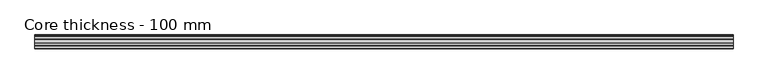
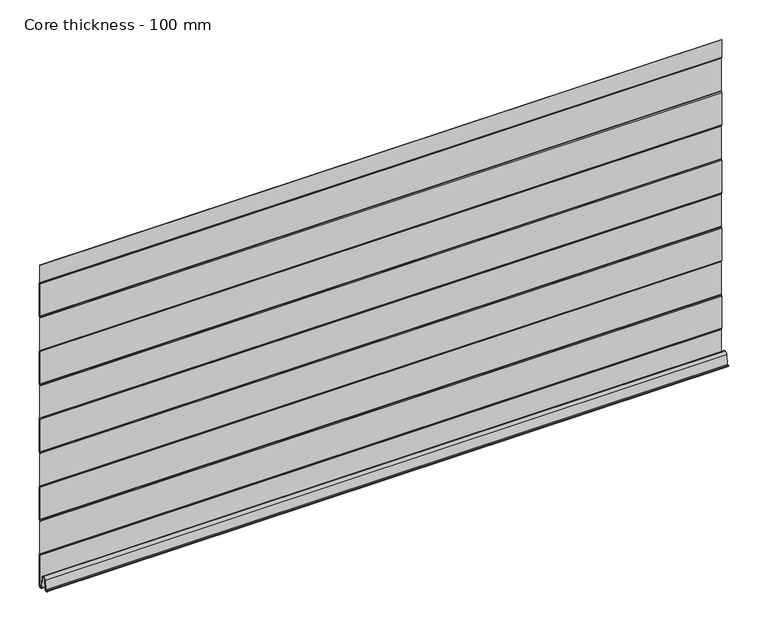
"""IFC4 building model written with IfcOpenShell, lengths in millimetres: plate geometry, Core thickness - 100 mm."""

import ifcopenshell
import ifcopenshell.guid

model = None  # the IFC model being written
_history = None  # IfcOwnerHistory: only IFC2X3 demands one
_inside = {}  # id of a spatial element -> (the spatial element, [elements in it])
_under = {}  # id of a project, library or spatial element -> (it, [spatial elements below it])
_declared = {}  # id of a project -> (the project, [libraries it declares])
_typed = {}  # id of a type object -> (the type object, [elements of that type])
_made_of = {}  # id of a material, layer set ... -> (it, [elements and type objects made of it])


def new_model(schema):
    """Start an empty IFC model of exactly this schema.

    Asked for "IFC4X3", IfcOpenShell would pick the latest addendum, in which some entities
    have other attributes; the version numbers below select the first issue.
    IFC2X3 requires an IfcOwnerHistory on every rooted entity: one is made here for all.
    """
    global model, _history
    if schema == "IFC4X3":
        model = ifcopenshell.file(schema_version=(4, 3, 0, 0))
    else:
        model = ifcopenshell.file(schema=schema)
    _inside.clear()
    _under.clear()
    _declared.clear()
    _typed.clear()
    _made_of.clear()
    _history = None
    if model.schema == "IFC2X3":
        org = make("IfcOrganization", Name="unknown")
        user = make(
            "IfcPersonAndOrganization",
            ThePerson=make("IfcPerson", FamilyName="unknown"),
            TheOrganization=org,
        )
        app = make(
            "IfcApplication",
            ApplicationDeveloper=org,
            Version="unknown",
            ApplicationFullName="unknown",
            ApplicationIdentifier="unknown",
        )
        _history = make(
            "IfcOwnerHistory",
            OwningUser=user,
            OwningApplication=app,
            ChangeAction="ADDED",
            CreationDate=0,
        )
    return model


def make(cls, **values):
    """One entity of the class cls with the attributes given. An attribute that is None is left unset."""
    return model.create_entity(
        cls, **{name: value for name, value in values.items() if value is not None}
    )


def rooted(cls, **values):
    """An entity with a GlobalId (a new one), such as an element, a storey or a relation."""
    return make(cls, GlobalId=ifcopenshell.guid.new(), OwnerHistory=_history, **values)


def si_unit(unit_type, name, prefix=None):
    """IfcSIUnit, for example si_unit("LENGTHUNIT", "METRE", prefix="MILLI")."""
    return make("IfcSIUnit", UnitType=unit_type, Prefix=prefix, Name=name)


def assignment(units):
    """IfcUnitAssignment: the units of a project."""
    return None if units is None else make("IfcUnitAssignment", Units=units)


def point(xyz):
    """IfcCartesianPoint."""
    return None if xyz is None else make("IfcCartesianPoint", Coordinates=xyz)


def direction(xyz):
    """IfcDirection."""
    return None if xyz is None else make("IfcDirection", DirectionRatios=xyz)


def frame(location, z_axis=None, x_axis=None):
    """IfcAxis2Placement3D, a coordinate frame: its origin and axes. An axis left out is left unset."""
    return make(
        "IfcAxis2Placement3D",
        Location=point(location),
        Axis=direction(z_axis),
        RefDirection=direction(x_axis),
    )


def origin():
    """The frame at (0, 0, 0) with its axes left unset."""
    return frame((0.0, 0.0, 0.0))


def place(relative_to, where):
    """IfcLocalPlacement: puts the frame where relative to a parent placement (None: the world)."""
    return make(
        "IfcLocalPlacement", PlacementRelTo=relative_to, RelativePlacement=where
    )


def context(
    kind, dimensions, precision=None, world=None, true_north=None, identifier=None
):
    """IfcGeometricRepresentationContext, for example the 3D "Model" context."""
    return make(
        "IfcGeometricRepresentationContext",
        ContextIdentifier=identifier,
        ContextType=kind,
        CoordinateSpaceDimension=dimensions,
        Precision=precision,
        WorldCoordinateSystem=world,
        TrueNorth=true_north,
    )


def project(units=None, contexts=None):
    """IfcProject with its units and contexts."""
    return rooted(
        "IfcProject",
        Name="project",
        RepresentationContexts=contexts,
        UnitsInContext=assignment(units),
    )


def spatial(cls, under=None, at=None, **own):
    """A site, building, storey or space (cls), placed at a placement, below another one or the project."""
    s = rooted(cls, ObjectPlacement=at, **own)
    if under is not None:
        _under.setdefault(under.id(), (under, []))[1].append(s)
    return s


def polyline(points):
    """IfcPolyline through the points."""
    return make("IfcPolyline", Points=[point(p) for p in points])


def circle_curve(where, radius):
    """IfcCircle in the frame where."""
    return make("IfcCircle", Position=where, Radius=radius)


def shape(context_of_items, identifier, shape_type, items):
    """IfcShapeRepresentation: the items that make up one representation, for example the "Body"."""
    return make(
        "IfcShapeRepresentation",
        ContextOfItems=context_of_items,
        RepresentationIdentifier=identifier,
        RepresentationType=shape_type,
        Items=items,
    )


def source(mapping_origin, context_of_items, identifier, shape_type, items):
    """IfcRepresentationMap: a shape defined once, which mapped items show again and again."""
    return make(
        "IfcRepresentationMap",
        MappingOrigin=mapping_origin,
        MappedRepresentation=shape(context_of_items, identifier, shape_type, items),
    )


def transform(
    local_origin,
    x_axis=None,
    y_axis=None,
    z_axis=None,
    scale=None,
    scale2=None,
    scale3=None,
    uniform=True,
):
    """IfcCartesianTransformationOperator3D, or its non-uniform kind. x_axis, y_axis, z_axis: its Axis1, 2, 3."""
    if uniform:
        return make(
            "IfcCartesianTransformationOperator3D",
            Axis1=direction(x_axis),
            Axis2=direction(y_axis),
            LocalOrigin=point(local_origin),
            Scale=scale,
            Axis3=direction(z_axis),
        )
    return make(
        "IfcCartesianTransformationOperator3DnonUniform",
        Axis1=direction(x_axis),
        Axis2=direction(y_axis),
        LocalOrigin=point(local_origin),
        Scale=scale,
        Axis3=direction(z_axis),
        Scale2=scale2,
        Scale3=scale3,
    )


def mapped(mapping_source, mapping_target):
    """IfcMappedItem: shows the shape of a source again, moved by a transform."""
    return make(
        "IfcMappedItem", MappingSource=mapping_source, MappingTarget=mapping_target
    )


def made_of(thing, what):
    """Note that an element or type object is made of a material, layer set ...; save() writes the relation."""
    if what is not None:
        _made_of.setdefault(what.id(), (what, []))[1].append(thing)
    return thing


def element(
    cls,
    number,
    at=None,
    inside=None,
    cuts=None,
    type_object=None,
    material=None,
    context=None,
    identifier="Body",
    shape_type=None,
    held_by="IfcProductDefinitionShape",
    body=None,
    shapes=None,
    **own,
):
    """One element of the class cls, such as IfcWall. Its Tag is "e" and its number.

    at: its placement. inside: the storey or other place that contains it. cuts: it is an
    opening in that element (IfcRelVoidsElement). A single representation is given by context,
    identifier, shape_type and body (its items); several are given by shapes. held_by: the class
    of the entity that holds the representations. save() writes the other relations.
    """
    e = rooted(cls, Tag="e%d" % number, ObjectPlacement=at, **own)
    if body is not None:
        shapes = [shape(context, identifier, shape_type, body)]
    if shapes is not None:
        e.Representation = make(held_by, Representations=shapes)
    if inside is not None:
        _inside.setdefault(inside.id(), (inside, []))[1].append(e)
    if cuts is not None:
        rooted(
            "IfcRelVoidsElement", RelatingBuildingElement=cuts, RelatedOpeningElement=e
        )
    if type_object is not None:
        _typed.setdefault(type_object.id(), (type_object, []))[1].append(e)
    return made_of(e, material)


def aggregate(whole, parts):
    """IfcRelAggregates: a whole, such as a stair, and the parts it consists of."""
    return rooted("IfcRelAggregates", RelatingObject=whole, RelatedObjects=parts)


def save(model, path):
    """Write the relations noted so far, then the file.

    IfcRelAggregates (storeys below a building ...), IfcRelContainedInSpatialStructure (elements
    in a storey), IfcRelDefinesByType, IfcRelAssociatesMaterial and IfcRelDeclares: one each for
    every whole, place, type object, material and project.
    """
    for whole, parts in _under.values():
        aggregate(whole, parts)
    for where, things in _inside.values():
        rooted(
            "IfcRelContainedInSpatialStructure",
            RelatedElements=things,
            RelatingStructure=where,
        )
    for kind, things in _typed.values():
        rooted("IfcRelDefinesByType", RelatedObjects=things, RelatingType=kind)
    for what, things in _made_of.values():
        rooted("IfcRelAssociatesMaterial", RelatedObjects=things, RelatingMaterial=what)
    for by, libraries in _declared.values():
        rooted("IfcRelDeclares", RelatingContext=by, RelatedDefinitions=libraries)
    model.write(path)


def plane_surface(at):
    """IfcPlane: the flat surface through the origin of the frame at, square to its z axis."""
    return make("IfcPlane", Position=at)


def cylinder_surface(at, radius):
    """IfcCylindricalSurface: all points at the distance radius from the z axis of the frame at."""
    return make("IfcCylindricalSurface", Position=at, Radius=radius)


def revolved_surface(curve, axis_point, axis_direction):
    """IfcSurfaceOfRevolution: the curve turned about the line through axis_point along axis_direction."""
    return make(
        "IfcSurfaceOfRevolution",
        SweptCurve=make("IfcArbitraryOpenProfileDef", ProfileType="CURVE", Curve=curve),
        AxisPosition=make("IfcAxis1Placement", Location=point(axis_point), Axis=direction(axis_direction)),
    )


def advanced_brep(points, edges, surfaces, faces):
    """IfcAdvancedBrep: a solid bounded by faces that lie on surfaces and meet in shared edges.

    An edge is (start, end): straight between two places in points (the first is 0);
    or (start, end, curve); or (start, end, curve, False) where it runs against its curve.
    A face is (place in surfaces, loops), or (place, loops, False) where it looks against
    its surface's normal. A loop lists edges by number (the first is 1), with a minus sign
    where the edge is run from its end to its start. The first loop is the outer one.
    """
    corners = [point(p) for p in points]
    vertices = [make("IfcVertexPoint", VertexGeometry=c) for c in corners]
    made = []
    for start, end, *more in edges:
        made.append(
            make(
                "IfcEdgeCurve",
                EdgeStart=vertices[start],
                EdgeEnd=vertices[end],
                EdgeGeometry=more[0] if more else make("IfcPolyline", Points=[corners[start], corners[end]]),
                SameSense=more[1] if len(more) > 1 else True,
            )
        )
    hull = []
    for where, loops, *sense in faces:
        bounds = []
        for j, loop in enumerate(loops):
            ring = [make("IfcOrientedEdge", EdgeElement=made[abs(k) - 1], Orientation=k > 0) for k in loop]
            bounds.append(
                make(
                    "IfcFaceOuterBound" if j == 0 else "IfcFaceBound",
                    Bound=make("IfcEdgeLoop", EdgeList=ring),
                    Orientation=True,
                )
            )
        hull.append(make("IfcAdvancedFace", Bounds=bounds, FaceSurface=surfaces[where], SameSense=sense[0] if sense else True))
    return make("IfcAdvancedBrep", Outer=make("IfcClosedShell", CfsFaces=hull))


def core_thickness_100_mm_33eaff8c(model_context):
    return source(origin(), model_context, "Body", "AdvancedBrep", [
        advanced_brep(
        [(-500.0000002, -0.7003051, 473.4703605), (-500.0000002, -0.4016712, 472.4190026), (-500.0000002, -0.0003051, 470.9985637), (-500.0000002, -0.0003051, 420.8387805), (-500.0000002, -0.4034608, 419.4194474), (-500.0000002, -0.7003051, 418.3669837), (-500.0000002, -0.7003051, 368.2072005), (-500.0000002, -0.4016712, 367.1558426), (-500.0000002, -0.0003051, 365.7354037), (-500.0000002, -0.0003051, 315.5756205), (-500.0000002, -0.4034608, 314.1562874), (-500.0000002, -0.7003051, 313.1038237), (-500.0000002, -0.7003051, 262.9440405), (-500.0000002, -0.4016712, 261.8926826), (-500.0000002, -0.0003051, 260.4722437), (-500.0000002, -0.0003051, 210.3124605), (-500.0000002, -0.4034608, 208.8931274), (-500.0000002, -0.7003051, 207.8406637), (-500.0000002, -0.7003051, 157.6808805), (-500.0000002, -0.4016712, 156.6295226), (-500.0000002, -0.0003051, 155.2090837), (-500.0000002, -0.0003051, 105.0493005), (-500.0000002, -0.4034608, 103.6299674), (-500.0000002, -0.7003051, 102.5775037), (-500.0000002, -0.7003051, 52.4177205), (-500.0000002, -0.4016712, 51.3663626), (-500.0000002, -0.0003051, 49.9459237), (-500.0000002, -0.0003051, 3.0900682), (-500.0000002, -6.18551, 2.7875612), (-500.0000002, -7.802884, 19.2828169), (-500.0000002, -10.8223285, 21.9898782), (-500.0000002, -13.8417729, 19.2828169), (-500.0000002, -15.2274002, 5.1510966), (-500.0000002, -19.6169005, 5.365779), (-500.0000002, -18.8169005, 5.365779), (-500.0000002, -16.0235822, 5.2291629), (-500.0000002, -14.6379549, 19.3608832), (-500.0000002, -10.8223285, 22.7899182), (-500.0000002, -7.0067021, 19.3608832), (-500.0000002, -5.3893281, 2.8656275), (-500.0000002, -0.8003051, 3.0900682), (-500.0000002, -0.8, 49.9459237), (-500.0000002, -1.0986697, 50.9973395), (-500.0000002, -1.5003051, 52.4177205), (-500.0000002, -1.5003051, 102.5775037), (-500.0000002, -1.0971009, 103.9969151), (-500.0000002, -0.8, 105.0493005), (-500.0000002, -0.8, 155.2090837), (-500.0000002, -1.0986697, 156.2604995), (-500.0000002, -1.5003051, 157.6808805), (-500.0000002, -1.5003051, 207.8406637), (-500.0000002, -1.0971009, 209.2600751), (-500.0000002, -0.8, 210.3124605), (-500.0000002, -0.8, 260.4722437), (-500.0000002, -1.0986697, 261.5236595), (-500.0000002, -1.5003051, 262.9440405), (-500.0000002, -1.5003051, 313.1038237), (-500.0000002, -1.0971009, 314.5232351), (-500.0000002, -0.8, 315.5756205), (-500.0000002, -0.8, 365.7354037), (-500.0000002, -1.0986697, 366.7868195), (-500.0000002, -1.5003051, 368.2072005), (-500.0000002, -1.5003051, 418.3669837), (-500.0000002, -1.0971009, 419.7863951), (-500.0000002, -0.8, 420.8387805), (-500.0000002, -0.8, 470.9985637), (-500.0000002, -1.0986697, 472.0499795), (-500.0000002, -1.5003051, 473.4703605), (-500.0000002, -1.5003051, 500.0), (-500.0000002, -0.7003051, 500.0), (500.0000002, -1.5003051, 473.4703605), (500.0000002, -1.0971009, 472.0509491), (500.0000002, -0.8, 470.9985637), (500.0000002, -0.8, 420.8387805), (500.0000002, -1.0986697, 419.7873646), (500.0000002, -1.5003051, 418.3669837), (500.0000002, -1.5003051, 368.2072005), (500.0000002, -1.0971009, 366.7877891), (500.0000002, -0.8, 365.7354037), (500.0000002, -0.8, 315.5756205), (500.0000002, -1.0986697, 314.5242046), (500.0000002, -1.5003051, 313.1038237), (500.0000002, -1.5003051, 262.9440405), (500.0000002, -1.0971009, 261.5246291), (500.0000002, -0.8, 260.4722437), (500.0000002, -0.8, 210.3124605), (500.0000002, -1.0986697, 209.2610446), (500.0000002, -1.5003051, 207.8406637), (500.0000002, -1.5003051, 157.6808805), (500.0000002, -1.0971009, 156.2614691), (500.0000002, -0.8, 155.2090837), (500.0000002, -0.8, 105.0493005), (500.0000002, -1.0986697, 103.9978846), (500.0000002, -1.5003051, 102.5775037), (500.0000002, -1.5003051, 52.4177205), (500.0000002, -1.0971009, 50.9983091), (500.0000002, -0.8, 49.9459237), (500.0000002, -0.8, 3.0900682), (500.0000002, -5.3893281, 2.8656275), (500.0000002, -7.0067021, 19.3608832), (500.0000002, -10.8223285, 22.7899182), (500.0000002, -14.6379549, 19.3608832), (500.0000002, -16.0235822, 5.2291629), (500.0000002, -18.8169005, 5.365779), (500.0000002, -19.6169005, 5.365779), (500.0000002, -15.2274002, 5.1510966), (500.0000002, -13.8417729, 19.2828169), (500.0000002, -10.8223285, 21.9898782), (500.0000002, -7.802884, 19.2828169), (500.0000002, -6.18551, 2.7875612), (500.0000002, -0.0003051, 3.0900682), (500.0000002, -0.0003051, 49.9459237), (500.0000002, -0.4034608, 51.3652568), (500.0000002, -0.7003051, 52.4177205), (500.0000002, -0.7003051, 102.5775037), (500.0000002, -0.4016712, 103.6288615), (500.0000002, -0.0003051, 105.0493005), (500.0000002, -0.0003051, 155.2090837), (500.0000002, -0.4034608, 156.6284168), (500.0000002, -0.7003051, 157.6808805), (500.0000002, -0.7003051, 207.8406637), (500.0000002, -0.4016712, 208.8920215), (500.0000002, -0.0003051, 210.3124605), (500.0000002, -0.0003051, 260.4722437), (500.0000002, -0.4034608, 261.8915768), (500.0000002, -0.7003051, 262.9440405), (500.0000002, -0.7003051, 313.1038237), (500.0000002, -0.4016712, 314.1551815), (500.0000002, -0.0003051, 315.5756205), (500.0000002, -0.0003051, 365.7354037), (500.0000002, -0.4034608, 367.1547368), (500.0000002, -0.7003051, 368.2072005), (500.0000002, -0.7003051, 418.3669837), (500.0000002, -0.4016712, 419.4183415), (500.0000002, -0.0003051, 420.8387805), (500.0000002, -0.0003051, 470.9985637), (500.0000002, -0.4034608, 472.4178968), (500.0000002, -0.7003051, 473.4703605), (500.0000002, -0.7003051, 500.0), (500.0000002, -1.5003051, 500.0)],
        [
            (0, 1, circle_curve(frame((-500.0000002, 1.2996949, 473.4703605), z_axis=(1.0, 0.0, 0.0), x_axis=(0.0, 0.0, -1.0)), 2.0)),
            (1, 2, circle_curve(frame((-500.0000002, -2.7003051, 470.9985637), z_axis=(-1.0, 0.0, 0.0), x_axis=(0.0, 0.0, -1.0)), 2.7)),
            (2, 3),
            (3, 4, circle_curve(frame((-500.0000002, -2.7003051, 420.8387805), z_axis=(-1.0, 0.0, 0.0), x_axis=(0.0, 0.0, -1.0)), 2.7)),
            (4, 5, circle_curve(frame((-500.0000002, 1.2996949, 418.3669837), z_axis=(1.0, 0.0, 0.0), x_axis=(0.0, 0.0, -1.0)), 2.0)),
            (5, 6),
            (6, 7, circle_curve(frame((-500.0000002, 1.2996949, 368.2072005), z_axis=(1.0, 0.0, 0.0), x_axis=(0.0, 0.0, -1.0)), 2.0)),
            (7, 8, circle_curve(frame((-500.0000002, -2.7003051, 365.7354037), z_axis=(-1.0, 0.0, 0.0), x_axis=(0.0, 0.0, -1.0)), 2.7)),
            (8, 9),
            (9, 10, circle_curve(frame((-500.0000002, -2.7003051, 315.5756205), z_axis=(-1.0, 0.0, 0.0), x_axis=(0.0, 0.0, -1.0)), 2.7)),
            (10, 11, circle_curve(frame((-500.0000002, 1.2996949, 313.1038237), z_axis=(1.0, 0.0, 0.0), x_axis=(0.0, 0.0, -1.0)), 2.0)),
            (11, 12),
            (12, 13, circle_curve(frame((-500.0000002, 1.2996949, 262.9440405), z_axis=(1.0, 0.0, 0.0), x_axis=(0.0, 0.0, -1.0)), 2.0)),
            (13, 14, circle_curve(frame((-500.0000002, -2.7003051, 260.4722437), z_axis=(-1.0, 0.0, 0.0), x_axis=(0.0, 0.0, -1.0)), 2.7)),
            (14, 15),
            (15, 16, circle_curve(frame((-500.0000002, -2.7003051, 210.3124605), z_axis=(-1.0, 0.0, 0.0), x_axis=(0.0, 0.0, -1.0)), 2.7)),
            (16, 17, circle_curve(frame((-500.0000002, 1.2996949, 207.8406637), z_axis=(1.0, 0.0, 0.0), x_axis=(0.0, 0.0, -1.0)), 2.0)),
            (17, 18),
            (18, 19, circle_curve(frame((-500.0000002, 1.2996949, 157.6808805), z_axis=(1.0, 0.0, 0.0), x_axis=(0.0, 0.0, -1.0)), 2.0)),
            (19, 20, circle_curve(frame((-500.0000002, -2.7003051, 155.2090837), z_axis=(-1.0, 0.0, 0.0), x_axis=(0.0, 0.0, -1.0)), 2.7)),
            (20, 21),
            (21, 22, circle_curve(frame((-500.0000002, -2.7003051, 105.0493005), z_axis=(-1.0, 0.0, 0.0), x_axis=(0.0, 0.0, -1.0)), 2.7)),
            (22, 23, circle_curve(frame((-500.0000002, 1.2996949, 102.5775037), z_axis=(1.0, 0.0, 0.0), x_axis=(0.0, 0.0, -1.0)), 2.0)),
            (23, 24),
            (24, 25, circle_curve(frame((-500.0000002, 1.2996949, 52.4177205), z_axis=(1.0, 0.0, 0.0), x_axis=(0.0, 0.0, -1.0)), 2.0)),
            (25, 26, circle_curve(frame((-500.0000002, -2.7003051, 49.9459237), z_axis=(-1.0, 0.0, 0.0), x_axis=(0.0, 0.0, -1.0)), 2.7)),
            (26, 27),
            (27, 28, circle_curve(frame((-500.0000002, -3.1003051, 3.0900682), z_axis=(-1.0, 0.0, 0.0), x_axis=(0.0, 0.0, -1.0)), 3.1)),
            (28, 29),
            (29, 30, circle_curve(frame((-500.0000002, -10.7885662, 18.9900682), z_axis=(1.0, 0.0, 0.0), x_axis=(0.0, 0.0, -1.0)), 3.0)),
            (30, 31, circle_curve(frame((-500.0000002, -10.8560907, 18.9900682), z_axis=(1.0, 0.0, 0.0), x_axis=(0.0, 0.0, -1.0)), 3.0)),
            (31, 32),
            (32, 33, circle_curve(frame((-500.0000002, -17.4169005, 5.365779), z_axis=(-1.0, 0.0, 0.0), x_axis=(0.0, 0.0, -1.0)), 2.2)),
            (33, 34),
            (34, 35, circle_curve(frame((-500.0000002, -17.4169005, 5.365779), z_axis=(1.0, 0.0, 0.0), x_axis=(0.0, 0.0, -1.0)), 1.4)),
            (35, 36),
            (36, 37, circle_curve(frame((-500.0000002, -10.8560907, 18.9900682), z_axis=(-1.0, 0.0, 0.0), x_axis=(0.0, 0.0, -1.0)), 3.8)),
            (37, 38, circle_curve(frame((-500.0000002, -10.7885662, 18.9900682), z_axis=(-1.0, 0.0, 0.0), x_axis=(0.0, 0.0, -1.0)), 3.8)),
            (38, 39),
            (39, 40, circle_curve(frame((-500.0000002, -3.1003051, 3.0900682), z_axis=(1.0, 0.0, 0.0), x_axis=(0.0, 0.0, -1.0)), 2.3)),
            (40, 41),
            (41, 42, circle_curve(frame((-500.0000002, -2.8, 49.9459237), z_axis=(1.0, 0.0, 0.0), x_axis=(0.0, 0.0, -1.0)), 2.0)),
            (42, 43, circle_curve(frame((-500.0000002, 1.1996949, 52.4177205), z_axis=(-1.0, 0.0, 0.0), x_axis=(0.0, 0.0, -1.0)), 2.7)),
            (43, 44),
            (44, 45, circle_curve(frame((-500.0000002, 1.1996949, 102.5775037), z_axis=(-1.0, 0.0, 0.0), x_axis=(0.0, 0.0, -1.0)), 2.7)),
            (45, 46, circle_curve(frame((-500.0000002, -2.8, 105.0493005), z_axis=(1.0, 0.0, 0.0), x_axis=(0.0, 0.0, -1.0)), 2.0)),
            (46, 47),
            (47, 48, circle_curve(frame((-500.0000002, -2.8, 155.2090837), z_axis=(1.0, 0.0, 0.0), x_axis=(0.0, 0.0, -1.0)), 2.0)),
            (48, 49, circle_curve(frame((-500.0000002, 1.1996949, 157.6808805), z_axis=(-1.0, 0.0, 0.0), x_axis=(0.0, 0.0, -1.0)), 2.7)),
            (49, 50),
            (50, 51, circle_curve(frame((-500.0000002, 1.1996949, 207.8406637), z_axis=(-1.0, 0.0, 0.0), x_axis=(0.0, 0.0, -1.0)), 2.7)),
            (51, 52, circle_curve(frame((-500.0000002, -2.8, 210.3124605), z_axis=(1.0, 0.0, 0.0), x_axis=(0.0, 0.0, -1.0)), 2.0)),
            (52, 53),
            (53, 54, circle_curve(frame((-500.0000002, -2.8, 260.4722437), z_axis=(1.0, 0.0, 0.0), x_axis=(0.0, 0.0, -1.0)), 2.0)),
            (54, 55, circle_curve(frame((-500.0000002, 1.1996949, 262.9440405), z_axis=(-1.0, 0.0, 0.0), x_axis=(0.0, 0.0, -1.0)), 2.7)),
            (55, 56),
            (56, 57, circle_curve(frame((-500.0000002, 1.1996949, 313.1038237), z_axis=(-1.0, 0.0, 0.0), x_axis=(0.0, 0.0, -1.0)), 2.7)),
            (57, 58, circle_curve(frame((-500.0000002, -2.8, 315.5756205), z_axis=(1.0, 0.0, 0.0), x_axis=(0.0, 0.0, -1.0)), 2.0)),
            (58, 59),
            (59, 60, circle_curve(frame((-500.0000002, -2.8, 365.7354037), z_axis=(1.0, 0.0, 0.0), x_axis=(0.0, 0.0, -1.0)), 2.0)),
            (60, 61, circle_curve(frame((-500.0000002, 1.1996949, 368.2072005), z_axis=(-1.0, 0.0, 0.0), x_axis=(0.0, 0.0, -1.0)), 2.7)),
            (61, 62),
            (62, 63, circle_curve(frame((-500.0000002, 1.1996949, 418.3669837), z_axis=(-1.0, 0.0, 0.0), x_axis=(0.0, 0.0, -1.0)), 2.7)),
            (63, 64, circle_curve(frame((-500.0000002, -2.8, 420.8387805), z_axis=(1.0, 0.0, 0.0), x_axis=(0.0, 0.0, -1.0)), 2.0)),
            (64, 65),
            (65, 66, circle_curve(frame((-500.0000002, -2.8, 470.9985637), z_axis=(1.0, 0.0, 0.0), x_axis=(0.0, 0.0, -1.0)), 2.0)),
            (66, 67, circle_curve(frame((-500.0000002, 1.1996949, 473.4703605), z_axis=(-1.0, 0.0, 0.0), x_axis=(0.0, 0.0, -1.0)), 2.7)),
            (67, 68),
            (68, 69),
            (69, 0),
            (70, 71, circle_curve(frame((500.0000002, 1.1996949, 473.4703605), z_axis=(1.0, 0.0, 0.0), x_axis=(0.0, 0.0, -1.0)), 2.7)),
            (71, 72, circle_curve(frame((500.0000002, -2.8, 470.9985637), z_axis=(-1.0, 0.0, 0.0), x_axis=(0.0, 0.0, -1.0)), 2.0)),
            (72, 73),
            (73, 74, circle_curve(frame((500.0000002, -2.8, 420.8387805), z_axis=(-1.0, 0.0, 0.0), x_axis=(0.0, 0.0, -1.0)), 2.0)),
            (74, 75, circle_curve(frame((500.0000002, 1.1996949, 418.3669837), z_axis=(1.0, 0.0, 0.0), x_axis=(0.0, 0.0, -1.0)), 2.7)),
            (75, 76),
            (76, 77, circle_curve(frame((500.0000002, 1.1996949, 368.2072005), z_axis=(1.0, 0.0, 0.0), x_axis=(0.0, 0.0, -1.0)), 2.7)),
            (77, 78, circle_curve(frame((500.0000002, -2.8, 365.7354037), z_axis=(-1.0, 0.0, 0.0), x_axis=(0.0, 0.0, -1.0)), 2.0)),
            (78, 79),
            (79, 80, circle_curve(frame((500.0000002, -2.8, 315.5756205), z_axis=(-1.0, 0.0, 0.0), x_axis=(0.0, 0.0, -1.0)), 2.0)),
            (80, 81, circle_curve(frame((500.0000002, 1.1996949, 313.1038237), z_axis=(1.0, 0.0, 0.0), x_axis=(0.0, 0.0, -1.0)), 2.7)),
            (81, 82),
            (82, 83, circle_curve(frame((500.0000002, 1.1996949, 262.9440405), z_axis=(1.0, 0.0, 0.0), x_axis=(0.0, 0.0, -1.0)), 2.7)),
            (83, 84, circle_curve(frame((500.0000002, -2.8, 260.4722437), z_axis=(-1.0, 0.0, 0.0), x_axis=(0.0, 0.0, -1.0)), 2.0)),
            (84, 85),
            (85, 86, circle_curve(frame((500.0000002, -2.8, 210.3124605), z_axis=(-1.0, 0.0, 0.0), x_axis=(0.0, 0.0, -1.0)), 2.0)),
            (86, 87, circle_curve(frame((500.0000002, 1.1996949, 207.8406637), z_axis=(1.0, 0.0, 0.0), x_axis=(0.0, 0.0, -1.0)), 2.7)),
            (87, 88),
            (88, 89, circle_curve(frame((500.0000002, 1.1996949, 157.6808805), z_axis=(1.0, 0.0, 0.0), x_axis=(0.0, 0.0, -1.0)), 2.7)),
            (89, 90, circle_curve(frame((500.0000002, -2.8, 155.2090837), z_axis=(-1.0, 0.0, 0.0), x_axis=(0.0, 0.0, -1.0)), 2.0)),
            (90, 91),
            (91, 92, circle_curve(frame((500.0000002, -2.8, 105.0493005), z_axis=(-1.0, 0.0, 0.0), x_axis=(0.0, 0.0, -1.0)), 2.0)),
            (92, 93, circle_curve(frame((500.0000002, 1.1996949, 102.5775037), z_axis=(1.0, 0.0, 0.0), x_axis=(0.0, 0.0, -1.0)), 2.7)),
            (93, 94),
            (94, 95, circle_curve(frame((500.0000002, 1.1996949, 52.4177205), z_axis=(1.0, 0.0, 0.0), x_axis=(0.0, 0.0, -1.0)), 2.7)),
            (95, 96, circle_curve(frame((500.0000002, -2.8, 49.9459237), z_axis=(-1.0, 0.0, 0.0), x_axis=(0.0, 0.0, -1.0)), 2.0)),
            (96, 97),
            (97, 98, circle_curve(frame((500.0000002, -3.1003051, 3.0900682), z_axis=(-1.0, 0.0, 0.0), x_axis=(0.0, 0.0, -1.0)), 2.3)),
            (98, 99),
            (99, 100, circle_curve(frame((500.0000002, -10.7885662, 18.9900682), z_axis=(1.0, 0.0, 0.0), x_axis=(0.0, 0.0, -1.0)), 3.8)),
            (100, 101, circle_curve(frame((500.0000002, -10.8560907, 18.9900682), z_axis=(1.0, 0.0, 0.0), x_axis=(0.0, 0.0, -1.0)), 3.8)),
            (101, 102),
            (102, 103, circle_curve(frame((500.0000002, -17.4169005, 5.365779), z_axis=(-1.0, 0.0, 0.0), x_axis=(0.0, 0.0, -1.0)), 1.4)),
            (103, 104),
            (104, 105, circle_curve(frame((500.0000002, -17.4169005, 5.365779), z_axis=(1.0, 0.0, 0.0), x_axis=(0.0, 0.0, -1.0)), 2.2)),
            (105, 106),
            (106, 107, circle_curve(frame((500.0000002, -10.8560907, 18.9900682), z_axis=(-1.0, 0.0, 0.0), x_axis=(0.0, 0.0, -1.0)), 3.0)),
            (107, 108, circle_curve(frame((500.0000002, -10.7885662, 18.9900682), z_axis=(-1.0, 0.0, 0.0), x_axis=(0.0, 0.0, -1.0)), 3.0)),
            (108, 109),
            (109, 110, circle_curve(frame((500.0000002, -3.1003051, 3.0900682), z_axis=(1.0, 0.0, 0.0), x_axis=(0.0, 0.0, -1.0)), 3.1)),
            (110, 111),
            (111, 112, circle_curve(frame((500.0000002, -2.7003051, 49.9459237), z_axis=(1.0, 0.0, 0.0), x_axis=(0.0, 0.0, -1.0)), 2.7)),
            (112, 113, circle_curve(frame((500.0000002, 1.2996949, 52.4177205), z_axis=(-1.0, 0.0, 0.0), x_axis=(0.0, 0.0, -1.0)), 2.0)),
            (113, 114),
            (114, 115, circle_curve(frame((500.0000002, 1.2996949, 102.5775037), z_axis=(-1.0, 0.0, 0.0), x_axis=(0.0, 0.0, -1.0)), 2.0)),
            (115, 116, circle_curve(frame((500.0000002, -2.7003051, 105.0493005), z_axis=(1.0, 0.0, 0.0), x_axis=(0.0, 0.0, -1.0)), 2.7)),
            (116, 117),
            (117, 118, circle_curve(frame((500.0000002, -2.7003051, 155.2090837), z_axis=(1.0, 0.0, 0.0), x_axis=(0.0, 0.0, -1.0)), 2.7)),
            (118, 119, circle_curve(frame((500.0000002, 1.2996949, 157.6808805), z_axis=(-1.0, 0.0, 0.0), x_axis=(0.0, 0.0, -1.0)), 2.0)),
            (119, 120),
            (120, 121, circle_curve(frame((500.0000002, 1.2996949, 207.8406637), z_axis=(-1.0, 0.0, 0.0), x_axis=(0.0, 0.0, -1.0)), 2.0)),
            (121, 122, circle_curve(frame((500.0000002, -2.7003051, 210.3124605), z_axis=(1.0, 0.0, 0.0), x_axis=(0.0, 0.0, -1.0)), 2.7)),
            (122, 123),
            (123, 124, circle_curve(frame((500.0000002, -2.7003051, 260.4722437), z_axis=(1.0, 0.0, 0.0), x_axis=(0.0, 0.0, -1.0)), 2.7)),
            (124, 125, circle_curve(frame((500.0000002, 1.2996949, 262.9440405), z_axis=(-1.0, 0.0, 0.0), x_axis=(0.0, 0.0, -1.0)), 2.0)),
            (125, 126),
            (126, 127, circle_curve(frame((500.0000002, 1.2996949, 313.1038237), z_axis=(-1.0, 0.0, 0.0), x_axis=(0.0, 0.0, -1.0)), 2.0)),
            (127, 128, circle_curve(frame((500.0000002, -2.7003051, 315.5756205), z_axis=(1.0, 0.0, 0.0), x_axis=(0.0, 0.0, -1.0)), 2.7)),
            (128, 129),
            (129, 130, circle_curve(frame((500.0000002, -2.7003051, 365.7354037), z_axis=(1.0, 0.0, 0.0), x_axis=(0.0, 0.0, -1.0)), 2.7)),
            (130, 131, circle_curve(frame((500.0000002, 1.2996949, 368.2072005), z_axis=(-1.0, 0.0, 0.0), x_axis=(0.0, 0.0, -1.0)), 2.0)),
            (131, 132),
            (132, 133, circle_curve(frame((500.0000002, 1.2996949, 418.3669837), z_axis=(-1.0, 0.0, 0.0), x_axis=(0.0, 0.0, -1.0)), 2.0)),
            (133, 134, circle_curve(frame((500.0000002, -2.7003051, 420.8387805), z_axis=(1.0, 0.0, 0.0), x_axis=(0.0, 0.0, -1.0)), 2.7)),
            (134, 135),
            (135, 136, circle_curve(frame((500.0000002, -2.7003051, 470.9985637), z_axis=(1.0, 0.0, 0.0), x_axis=(0.0, 0.0, -1.0)), 2.7)),
            (136, 137, circle_curve(frame((500.0000002, 1.2996949, 473.4703605), z_axis=(-1.0, 0.0, 0.0), x_axis=(0.0, 0.0, -1.0)), 2.0)),
            (137, 138),
            (138, 139),
            (139, 70),
            (67, 70),
            (139, 68),
            (66, 71),
            (65, 72),
            (64, 73),
            (63, 74),
            (62, 75),
            (61, 76),
            (60, 77),
            (59, 78),
            (58, 79),
            (57, 80),
            (56, 81),
            (55, 82),
            (54, 83),
            (53, 84),
            (52, 85),
            (51, 86),
            (50, 87),
            (49, 88),
            (48, 89),
            (47, 90),
            (46, 91),
            (45, 92),
            (44, 93),
            (43, 94),
            (42, 95),
            (41, 96),
            (40, 97),
            (39, 98),
            (38, 99),
            (37, 100),
            (36, 101),
            (35, 102),
            (34, 103),
            (33, 104),
            (32, 105),
            (31, 106),
            (30, 107),
            (29, 108),
            (28, 109),
            (27, 110),
            (26, 111),
            (25, 112),
            (24, 113),
            (23, 114),
            (22, 115),
            (21, 116),
            (20, 117),
            (19, 118),
            (18, 119),
            (17, 120),
            (16, 121),
            (15, 122),
            (14, 123),
            (13, 124),
            (12, 125),
            (11, 126),
            (10, 127),
            (9, 128),
            (8, 129),
            (7, 130),
            (6, 131),
            (5, 132),
            (4, 133),
            (3, 134),
            (2, 135),
            (1, 136),
            (0, 137),
            (69, 138),
        ],
        [
            plane_surface(frame((-500.0000002, 0.0, 0.0), z_axis=(-1.0, 0.0, 0.0), x_axis=(0.0, -1.0, 0.0))),
            plane_surface(frame((500.0000002, 0.0, 0.0), z_axis=(1.0, 0.0, 0.0), x_axis=(0.0, -1.0, 0.0))),
            plane_surface(frame((-500.0000002, -1.5003051, 473.4703605), z_axis=(0.0, -1.0, 0.0), x_axis=(1.0, 0.0, 0.0))),
            cylinder_surface(frame((-500.0000002, 1.1996949, 473.4703605), z_axis=(-1.0, 0.0, 0.0), x_axis=(0.0, 0.0, -1.0)), 2.7),
            revolved_surface(polyline([(500.0000002, -2.8, 468.9985637), (-500.0000002, -2.8, 468.9985637)]), (-500.0000002, -2.8, 470.9985637), (1.0, 0.0, 0.0)),
            plane_surface(frame((-500.0000002, -0.8, 420.8387805), z_axis=(0.0, -1.0, 0.0), x_axis=(1.0, 0.0, 0.0))),
            revolved_surface(polyline([(500.0000002, -2.8, 418.8387805), (-500.0000002, -2.8, 418.8387805)]), (-500.0000002, -2.8, 420.8387805), (1.0, 0.0, 0.0)),
            cylinder_surface(frame((-500.0000002, 1.1996949, 418.3669837), z_axis=(-1.0, 0.0, 0.0), x_axis=(0.0, 0.0, -1.0)), 2.7),
            plane_surface(frame((-500.0000002, -1.5003051, 368.2072005), z_axis=(0.0, -1.0, 0.0), x_axis=(1.0, 0.0, 0.0))),
            cylinder_surface(frame((-500.0000002, 1.1996949, 368.2072005), z_axis=(-1.0, 0.0, 0.0), x_axis=(0.0, 0.0, -1.0)), 2.7),
            revolved_surface(polyline([(500.0000002, -2.8, 363.7354037), (-500.0000002, -2.8, 363.7354037)]), (-500.0000002, -2.8, 365.7354037), (1.0, 0.0, 0.0)),
            plane_surface(frame((-500.0000002, -0.8, 315.5756205), z_axis=(0.0, -1.0, 0.0), x_axis=(1.0, 0.0, 0.0))),
            revolved_surface(polyline([(500.0000002, -2.8, 313.5756205), (-500.0000002, -2.8, 313.5756205)]), (-500.0000002, -2.8, 315.5756205), (1.0, 0.0, 0.0)),
            cylinder_surface(frame((-500.0000002, 1.1996949, 313.1038237), z_axis=(-1.0, 0.0, 0.0), x_axis=(0.0, 0.0, -1.0)), 2.7),
            plane_surface(frame((-500.0000002, -1.5003051, 262.9440405), z_axis=(0.0, -1.0, 0.0), x_axis=(1.0, 0.0, 0.0))),
            cylinder_surface(frame((-500.0000002, 1.1996949, 262.9440405), z_axis=(-1.0, 0.0, 0.0), x_axis=(0.0, 0.0, -1.0)), 2.7),
            revolved_surface(polyline([(500.0000002, -2.8, 258.4722437), (-500.0000002, -2.8, 258.4722437)]), (-500.0000002, -2.8, 260.4722437), (1.0, 0.0, 0.0)),
            plane_surface(frame((-500.0000002, -0.8, 210.3124605), z_axis=(0.0, -1.0, 0.0), x_axis=(1.0, 0.0, 0.0))),
            revolved_surface(polyline([(500.0000002, -2.8, 208.3124605), (-500.0000002, -2.8, 208.3124605)]), (-500.0000002, -2.8, 210.3124605), (1.0, 0.0, 0.0)),
            cylinder_surface(frame((-500.0000002, 1.1996949, 207.8406637), z_axis=(-1.0, 0.0, 0.0), x_axis=(0.0, 0.0, -1.0)), 2.7),
            plane_surface(frame((-500.0000002, -1.5003051, 157.6808805), z_axis=(0.0, -1.0, 0.0), x_axis=(1.0, 0.0, 0.0))),
            cylinder_surface(frame((-500.0000002, 1.1996949, 157.6808805), z_axis=(-1.0, 0.0, 0.0), x_axis=(0.0, 0.0, -1.0)), 2.7),
            revolved_surface(polyline([(500.0000002, -2.8, 153.2090837), (-500.0000002, -2.8, 153.2090837)]), (-500.0000002, -2.8, 155.2090837), (1.0, 0.0, 0.0)),
            plane_surface(frame((-500.0000002, -0.8, 105.0493005), z_axis=(0.0, -1.0, 0.0), x_axis=(1.0, 0.0, 0.0))),
            revolved_surface(polyline([(500.0000002, -2.8, 103.0493005), (-500.0000002, -2.8, 103.0493005)]), (-500.0000002, -2.8, 105.0493005), (1.0, 0.0, 0.0)),
            cylinder_surface(frame((-500.0000002, 1.1996949, 102.5775037), z_axis=(-1.0, 0.0, 0.0), x_axis=(0.0, 0.0, -1.0)), 2.7),
            plane_surface(frame((-500.0000002, -1.5003051, 52.4177205), z_axis=(0.0, -1.0, 0.0), x_axis=(1.0, 0.0, 0.0))),
            cylinder_surface(frame((-500.0000002, 1.1996949, 52.4177205), z_axis=(-1.0, 0.0, 0.0), x_axis=(0.0, 0.0, -1.0)), 2.7),
            revolved_surface(polyline([(500.0000002, -2.8, 47.9459237), (-500.0000002, -2.8, 47.9459237)]), (-500.0000002, -2.8, 49.9459237), (1.0, 0.0, 0.0)),
            plane_surface(frame((-500.0000002, -0.8, 3.0900682), z_axis=(0.0, -1.0, 0.0), x_axis=(1.0, 0.0, 0.0))),
            revolved_surface(polyline([(500.0000002, -3.1003051, 0.7900682000000003), (-500.0000002, -3.1003051, 0.7900682000000003)]), (-500.0000002, -3.1003051, 3.0900682), (1.0, 0.0, 0.0)),
            plane_surface(frame((-500.0000002, -7.0067021, 19.3608832), z_axis=(0.0, 0.9952273999818314, 0.09758289975914787), x_axis=(1.0, 0.0, 0.0))),
            cylinder_surface(frame((-500.0000002, -10.7885662, 18.9900682), z_axis=(-1.0, 0.0, 0.0), x_axis=(0.0, 0.0, -1.0)), 3.8),
            cylinder_surface(frame((-500.0000002, -10.8560907, 18.9900682), z_axis=(-1.0, 0.0, 0.0), x_axis=(0.0, 0.0, -1.0)), 3.8),
            plane_surface(frame((-500.0000002, -16.0235822, 5.2291629), z_axis=(0.0, -0.9952273999818297, 0.09758289975916531), x_axis=(1.0, 0.0, 0.0))),
            revolved_surface(polyline([(500.0000002, -17.4169005, 3.965779), (-500.0000002, -17.4169005, 3.965779)]), (-500.0000002, -17.4169005, 5.365779), (1.0, 0.0, 0.0)),
            plane_surface(frame((-500.0000002, -19.6169005, 5.365779), z_axis=(0.0, 0.0, 1.0), x_axis=(1.0, 0.0, 0.0))),
            cylinder_surface(frame((-500.0000002, -17.4169005, 5.365779), z_axis=(-1.0, 0.0, 0.0), x_axis=(0.0, 0.0, -1.0)), 2.2),
            plane_surface(frame((-500.0000002, -13.8417729, 19.2828169), z_axis=(0.0, 0.9952273999818296, -0.09758289975916527), x_axis=(1.0, 0.0, 0.0))),
            revolved_surface(polyline([(500.0000002, -10.8560907, 15.9900682), (-500.0000002, -10.8560907, 15.9900682)]), (-500.0000002, -10.8560907, 18.9900682), (1.0, 0.0, 0.0)),
            revolved_surface(polyline([(500.0000002, -10.7885662, 15.9900682), (-500.0000002, -10.7885662, 15.9900682)]), (-500.0000002, -10.7885662, 18.9900682), (1.0, 0.0, 0.0)),
            plane_surface(frame((-500.0000002, -6.18551, 2.7875612), z_axis=(0.0, -0.9952273999818314, -0.09758289975914787), x_axis=(1.0, 0.0, 0.0))),
            cylinder_surface(frame((-500.0000002, -3.1003051, 3.0900682), z_axis=(-1.0, 0.0, 0.0), x_axis=(0.0, 0.0, -1.0)), 3.1),
            plane_surface(frame((-500.0000002, -0.0003051, 49.9459237), z_axis=(0.0, 1.0, 0.0), x_axis=(1.0, 0.0, 0.0))),
            cylinder_surface(frame((-500.0000002, -2.7003051, 49.9459237), z_axis=(-1.0, 0.0, 0.0), x_axis=(0.0, 0.0, -1.0)), 2.7),
            revolved_surface(polyline([(500.0000002, 1.2996949, 50.4177205), (-500.0000002, 1.2996949, 50.4177205)]), (-500.0000002, 1.2996949, 52.4177205), (1.0, 0.0, 0.0)),
            plane_surface(frame((-500.0000002, -0.7003051, 102.5775037), z_axis=(0.0, 1.0, 0.0), x_axis=(1.0, 0.0, 0.0))),
            revolved_surface(polyline([(500.0000002, 1.2996949, 100.5775037), (-500.0000002, 1.2996949, 100.5775037)]), (-500.0000002, 1.2996949, 102.5775037), (1.0, 0.0, 0.0)),
            cylinder_surface(frame((-500.0000002, -2.7003051, 105.0493005), z_axis=(-1.0, 0.0, 0.0), x_axis=(0.0, 0.0, -1.0)), 2.7),
            plane_surface(frame((-500.0000002, -0.0003051, 155.2090837), z_axis=(0.0, 1.0, 0.0), x_axis=(1.0, 0.0, 0.0))),
            cylinder_surface(frame((-500.0000002, -2.7003051, 155.2090837), z_axis=(-1.0, 0.0, 0.0), x_axis=(0.0, 0.0, -1.0)), 2.7),
            revolved_surface(polyline([(500.0000002, 1.2996949, 155.6808805), (-500.0000002, 1.2996949, 155.6808805)]), (-500.0000002, 1.2996949, 157.6808805), (1.0, 0.0, 0.0)),
            plane_surface(frame((-500.0000002, -0.7003051, 207.8406637), z_axis=(0.0, 1.0, 0.0), x_axis=(1.0, 0.0, 0.0))),
            revolved_surface(polyline([(500.0000002, 1.2996949, 205.8406637), (-500.0000002, 1.2996949, 205.8406637)]), (-500.0000002, 1.2996949, 207.8406637), (1.0, 0.0, 0.0)),
            cylinder_surface(frame((-500.0000002, -2.7003051, 210.3124605), z_axis=(-1.0, 0.0, 0.0), x_axis=(0.0, 0.0, -1.0)), 2.7),
            plane_surface(frame((-500.0000002, -0.0003051, 260.4722437), z_axis=(0.0, 1.0, 0.0), x_axis=(1.0, 0.0, 0.0))),
            cylinder_surface(frame((-500.0000002, -2.7003051, 260.4722437), z_axis=(-1.0, 0.0, 0.0), x_axis=(0.0, 0.0, -1.0)), 2.7),
            revolved_surface(polyline([(500.0000002, 1.2996949, 260.9440405), (-500.0000002, 1.2996949, 260.9440405)]), (-500.0000002, 1.2996949, 262.9440405), (1.0, 0.0, 0.0)),
            plane_surface(frame((-500.0000002, -0.7003051, 313.1038237), z_axis=(0.0, 1.0, 0.0), x_axis=(1.0, 0.0, 0.0))),
            revolved_surface(polyline([(500.0000002, 1.2996949, 311.1038237), (-500.0000002, 1.2996949, 311.1038237)]), (-500.0000002, 1.2996949, 313.1038237), (1.0, 0.0, 0.0)),
            cylinder_surface(frame((-500.0000002, -2.7003051, 315.5756205), z_axis=(-1.0, 0.0, 0.0), x_axis=(0.0, 0.0, -1.0)), 2.7),
            plane_surface(frame((-500.0000002, -0.0003051, 365.7354037), z_axis=(0.0, 1.0, 0.0), x_axis=(1.0, 0.0, 0.0))),
            cylinder_surface(frame((-500.0000002, -2.7003051, 365.7354037), z_axis=(-1.0, 0.0, 0.0), x_axis=(0.0, 0.0, -1.0)), 2.7),
            revolved_surface(polyline([(500.0000002, 1.2996949, 366.2072005), (-500.0000002, 1.2996949, 366.2072005)]), (-500.0000002, 1.2996949, 368.2072005), (1.0, 0.0, 0.0)),
            plane_surface(frame((-500.0000002, -0.7003051, 418.3669837), z_axis=(0.0, 1.0, 0.0), x_axis=(1.0, 0.0, 0.0))),
            revolved_surface(polyline([(500.0000002, 1.2996949, 416.3669837), (-500.0000002, 1.2996949, 416.3669837)]), (-500.0000002, 1.2996949, 418.3669837), (1.0, 0.0, 0.0)),
            cylinder_surface(frame((-500.0000002, -2.7003051, 420.8387805), z_axis=(-1.0, 0.0, 0.0), x_axis=(0.0, 0.0, -1.0)), 2.7),
            plane_surface(frame((-500.0000002, -0.0003051, 470.9985637), z_axis=(0.0, 1.0, 0.0), x_axis=(1.0, 0.0, 0.0))),
            cylinder_surface(frame((-500.0000002, -2.7003051, 470.9985637), z_axis=(-1.0, 0.0, 0.0), x_axis=(0.0, 0.0, -1.0)), 2.7),
            revolved_surface(polyline([(500.0000002, 1.2996949, 471.4703605), (-500.0000002, 1.2996949, 471.4703605)]), (-500.0000002, 1.2996949, 473.4703605), (1.0, 0.0, 0.0)),
            plane_surface(frame((-500.0000002, -0.7003051, 523.6301437), z_axis=(0.0, 1.0, 0.0), x_axis=(1.0, 0.0, 0.0))),
            plane_surface(frame((-500.0000002, 134.0533409, 500.0), z_axis=(0.0, 0.0, 1.0), x_axis=(1.0, 0.0, 0.0))),
        ],
        [
            (0, [[1, 2, 3, 4, 5, 6, 7, 8, 9, 10, 11, 12, 13, 14, 15, 16, 17, 18, 19, 20, 21, 22, 23, 24, 25, 26, 27, 28, 29, 30, 31, 32, 33, 34, 35, 36, 37, 38, 39, 40, 41, 42, 43, 44, 45, 46, 47, 48, 49, 50, 51, 52, 53, 54, 55, 56, 57, 58, 59, 60, 61, 62, 63, 64, 65, 66, 67, 68, 69, 70]]),
            (1, [[71, 72, 73, 74, 75, 76, 77, 78, 79, 80, 81, 82, 83, 84, 85, 86, 87, 88, 89, 90, 91, 92, 93, 94, 95, 96, 97, 98, 99, 100, 101, 102, 103, 104, 105, 106, 107, 108, 109, 110, 111, 112, 113, 114, 115, 116, 117, 118, 119, 120, 121, 122, 123, 124, 125, 126, 127, 128, 129, 130, 131, 132, 133, 134, 135, 136, 137, 138, 139, 140]]),
            (2, [[141, -140, 142, -68]]),
            (3, [[-67, 143, -71, -141]]),
            (4, [[-66, 144, -72, -143]]),
            (5, [[-65, 145, -73, -144]]),
            (6, [[-64, 146, -74, -145]]),
            (7, [[-63, 147, -75, -146]]),
            (8, [[-62, 148, -76, -147]]),
            (9, [[-61, 149, -77, -148]]),
            (10, [[-60, 150, -78, -149]]),
            (11, [[-59, 151, -79, -150]]),
            (12, [[-58, 152, -80, -151]]),
            (13, [[-57, 153, -81, -152]]),
            (14, [[-56, 154, -82, -153]]),
            (15, [[-55, 155, -83, -154]]),
            (16, [[-54, 156, -84, -155]]),
            (17, [[-53, 157, -85, -156]]),
            (18, [[-52, 158, -86, -157]]),
            (19, [[-51, 159, -87, -158]]),
            (20, [[-50, 160, -88, -159]]),
            (21, [[-49, 161, -89, -160]]),
            (22, [[-48, 162, -90, -161]]),
            (23, [[-47, 163, -91, -162]]),
            (24, [[-46, 164, -92, -163]]),
            (25, [[-45, 165, -93, -164]]),
            (26, [[-44, 166, -94, -165]]),
            (27, [[-43, 167, -95, -166]]),
            (28, [[-42, 168, -96, -167]]),
            (29, [[-41, 169, -97, -168]]),
            (30, [[-40, 170, -98, -169]]),
            (31, [[-39, 171, -99, -170]]),
            (32, [[-38, 172, -100, -171]]),
            (33, [[-37, 173, -101, -172]]),
            (34, [[-36, 174, -102, -173]]),
            (35, [[-35, 175, -103, -174]]),
            (36, [[-34, 176, -104, -175]]),
            (37, [[-33, 177, -105, -176]]),
            (38, [[-32, 178, -106, -177]]),
            (39, [[-31, 179, -107, -178]]),
            (40, [[-30, 180, -108, -179]]),
            (41, [[-29, 181, -109, -180]]),
            (42, [[-28, 182, -110, -181]]),
            (43, [[-27, 183, -111, -182]]),
            (44, [[-26, 184, -112, -183]]),
            (45, [[-25, 185, -113, -184]]),
            (46, [[-24, 186, -114, -185]]),
            (47, [[-23, 187, -115, -186]]),
            (48, [[-22, 188, -116, -187]]),
            (49, [[-21, 189, -117, -188]]),
            (50, [[-20, 190, -118, -189]]),
            (51, [[-19, 191, -119, -190]]),
            (52, [[-18, 192, -120, -191]]),
            (53, [[-17, 193, -121, -192]]),
            (54, [[-16, 194, -122, -193]]),
            (55, [[-15, 195, -123, -194]]),
            (56, [[-14, 196, -124, -195]]),
            (57, [[-13, 197, -125, -196]]),
            (58, [[-12, 198, -126, -197]]),
            (59, [[-11, 199, -127, -198]]),
            (60, [[-10, 200, -128, -199]]),
            (61, [[-9, 201, -129, -200]]),
            (62, [[-8, 202, -130, -201]]),
            (63, [[-7, 203, -131, -202]]),
            (64, [[-6, 204, -132, -203]]),
            (65, [[-5, 205, -133, -204]]),
            (66, [[-4, 206, -134, -205]]),
            (67, [[-3, 207, -135, -206]]),
            (68, [[-2, 208, -136, -207]]),
            (69, [[-1, 209, -137, -208]]),
            (70, [[-209, -70, 210, -138]]),
            (71, [[-69, -142, -139, -210]]),
        ],
    ),
    ])


if __name__ == "__main__":
    model = new_model("IFC4")
    model_context = context("Model", 3, world=origin())
    ifc_project = project(units=[si_unit("LENGTHUNIT", "METRE", prefix="MILLI")], contexts=[model_context])
    site = spatial("IfcSite", under=ifc_project)
    building = spatial("IfcBuilding", under=site)
    placement = place(None, origin())
    core_thickness_100_mm_shape = core_thickness_100_mm_33eaff8c(model_context)
    element("IfcPlate", 1, ObjectType="Core thickness - 100 mm", at=placement, inside=building, context=model_context, shape_type="MappedRepresentation", body=[
        mapped(core_thickness_100_mm_shape, transform((0.0, 0.0, 0.0), x_axis=(1.0, 0.0, 0.0), y_axis=(0.0, 1.0, 0.0), z_axis=(0.0, 0.0, 1.0))),
    ])
    save(model, "model.ifc")
